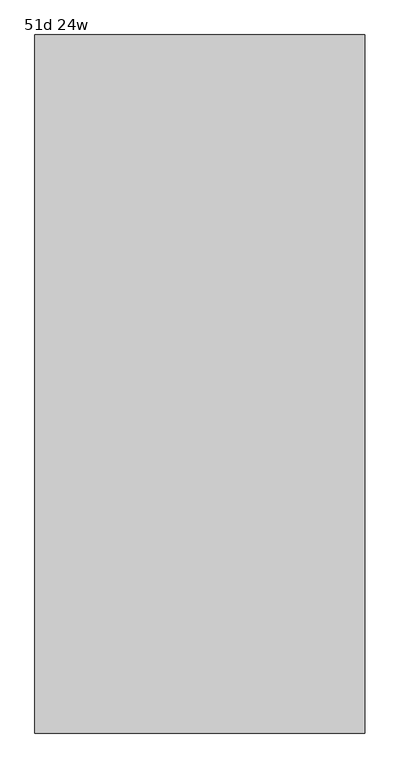
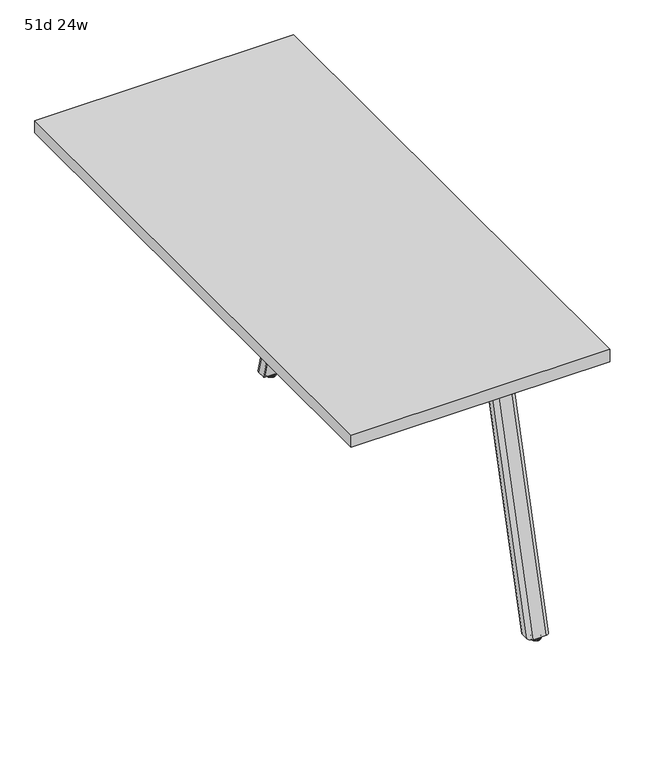
"""IFC4 building model written with IfcOpenShell, lengths in millimetres: furniture geometry, 51d 24w."""

from ifc_helpers import new_model, si_unit, point, frame, frame_2d, origin, place, context, project, spatial, polyline, circle_curve, ellipse_curve, trimmed, segment, composite_curve, outline, extrude, source, transform, mapped, element, save
from ifc_brep_helpers import plane_surface, cylinder_surface, revolved_surface, extruded_surface, advanced_brep


def furniture_51d_24w_74946e6d(model_context):
    return source(origin(), model_context, "Body", "SolidModel", [
        extrude(outline(composite_curve([segment(polyline([(320.6908754, -1118.8587974), (427.8471246, -1118.8587974)]), True, "CONTINUOUS"), segment(trimmed(circle_curve(frame_2d((427.8471246, -1128.7806724)), 9.921875), [point((427.8471246, -1118.8587974))], [point((437.7689996, -1128.7806724))], False, "CARTESIAN"), True, "CONTINUOUS"), segment(polyline([(437.7689996, -1128.7806724), (437.7689996, -1210.5369163)]), True, "CONTINUOUS"), segment(trimmed(circle_curve(frame_2d((427.8471246, -1210.5369163)), 9.921875), [point((437.7689996, -1210.5369163))], [point((427.8471246, -1220.4587913))], False, "CARTESIAN"), True, "CONTINUOUS"), segment(polyline([(427.8471246, -1220.4587913), (320.6908754, -1220.4587913)]), True, "CONTINUOUS"), segment(trimmed(circle_curve(frame_2d((320.6908754, -1210.5369163)), 9.921875), [point((320.6908754, -1220.4587913))], [point((310.7690004, -1210.5369163))], False, "CARTESIAN"), True, "CONTINUOUS"), segment(polyline([(310.7690004, -1210.5369163), (310.7690004, -1128.7806724)]), True, "CONTINUOUS"), segment(trimmed(circle_curve(frame_2d((320.6908754, -1128.7806724)), 9.921875), [point((310.7690004, -1128.7806724))], [point((320.6908754, -1118.8587974))], False, "CARTESIAN"), True, "CONTINUOUS")], self_intersect=False)), frame((0.0, 0.0, 705.2055984), z_axis=(0.0, 0.0, 1.0), x_axis=(1.0, 0.0, 0.0)), (0.0, 0.0, 1.0), 5.9944016),
        advanced_brep(
        [(429.9270371, -1185.1941016, 705.2055984), (382.8729629, -1185.1941016, 705.2055984), (381.3809603, -1186.6861042, 705.2055984), (381.3809603, -1205.4969272, 705.2055984), (391.3028353, -1215.4188022, 705.2055984), (421.4971647, -1215.4188022, 705.2055984), (431.4190397, -1205.4969272, 705.2055984), (431.4190397, -1186.6861042, 705.2055984), (429.9270371, -1370.3899744, 10.7173168), (431.4190397, -1371.881977, 10.7173168), (431.4190397, -1391.5691016, 10.7173168), (421.4971647, -1401.4909766, 10.7173168), (391.3028353, -1401.4909766, 10.7173168), (381.3809603, -1391.5691016, 10.7173168), (381.3809603, -1371.881977, 10.7173168), (382.8729629, -1370.3899744, 10.7173168)],
        [
            (0, 1),
            (1, 2, circle_curve(frame((382.8729629, -1186.6861042, 705.2055984), z_axis=(0.0, 0.0, 1.0), x_axis=(-1.0, 0.0, 0.0)), 1.4920026)),
            (2, 3),
            (3, 4, circle_curve(frame((391.3028353, -1205.4969272, 705.2055984), z_axis=(0.0, 0.0, 1.0), x_axis=(-1.0, 0.0, 0.0)), 9.921875)),
            (4, 5),
            (5, 6, circle_curve(frame((421.4971647, -1205.4969272, 705.2055984), z_axis=(0.0, 0.0, 1.0), x_axis=(-1.0, 0.0, 0.0)), 9.921875)),
            (6, 7),
            (7, 0, circle_curve(frame((429.9270371, -1186.6861042, 705.2055984), z_axis=(0.0, 0.0, 1.0), x_axis=(-1.0, 0.0, 0.0)), 1.4920026)),
            (8, 9, circle_curve(frame((429.9270371, -1371.881977, 10.7173168), z_axis=(0.0, 0.0, -1.0), x_axis=(-1.0, 0.0, 0.0)), 1.4920026)),
            (9, 10),
            (10, 11, circle_curve(frame((421.4971647, -1391.5691016, 10.7173168), z_axis=(0.0, 0.0, -1.0), x_axis=(-1.0, 0.0, 0.0)), 9.921875)),
            (11, 12),
            (12, 13, circle_curve(frame((391.3028353, -1391.5691016, 10.7173168), z_axis=(0.0, 0.0, -1.0), x_axis=(-1.0, 0.0, 0.0)), 9.921875)),
            (13, 14),
            (14, 15, circle_curve(frame((382.8729629, -1371.881977, 10.7173168), z_axis=(0.0, 0.0, -1.0), x_axis=(-1.0, 0.0, 0.0)), 1.4920026)),
            (15, 8),
            (8, 0),
            (7, 9),
            (6, 10),
            (5, 11),
            (4, 12),
            (3, 13),
            (2, 14),
            (1, 15),
        ],
        [
            plane_surface(frame((406.4, -1198.1989838, 705.2055984), z_axis=(0.0, 0.0, 1.0), x_axis=(1.0, 0.0, 0.0))),
            plane_surface(frame((406.4, -1383.8330074, 10.7173168), z_axis=(0.0, 0.0, -1.0), x_axis=(1.0, 0.0, 0.0))),
            extruded_surface(trimmed(circle_curve(frame((429.9270371, -1186.6861042, 705.2055984), z_axis=(0.0, 0.0, -1.0), x_axis=(-1.0, 0.0, 0.0)), 1.4920026), [point((429.9270371, -1185.1941016, 705.2055984))], [point((431.4190397, -1186.6861042, 705.2055984))], True, "CARTESIAN"), (0.0, -185.19587279999996, -694.4882815999999), 718.7569022846839),
            plane_surface(frame((431.4190397, -1381.7255393, 10.7173168), z_axis=(1.0, 0.0, 0.0), x_axis=(0.0, -1.0, 0.0))),
            extruded_surface(trimmed(circle_curve(frame((421.4971647, -1205.4969272, 705.2055984), z_axis=(0.0, 0.0, -1.0), x_axis=(-1.0, 0.0, 0.0)), 9.921875), [point((431.4190397, -1205.4969272, 705.2055984))], [point((421.4971647, -1215.4188022, 705.2055984))], True, "CARTESIAN"), (0.0, -186.0721744, -694.4882815999999), 718.9831899047882),
            plane_surface(frame((406.4, -1401.4909766, 10.7173168), z_axis=(0.0, -0.9659311808061944, 0.2587990609456514), x_axis=(-1.0, 0.0, 0.0))),
            extruded_surface(trimmed(circle_curve(frame((391.3028353, -1205.4969272, 705.2055984), z_axis=(0.0, 0.0, -1.0), x_axis=(-1.0, 0.0, 0.0)), 9.921875), [point((391.3028353, -1215.4188022, 705.2055984))], [point((381.3809603, -1205.4969272, 705.2055984))], True, "CARTESIAN"), (0.0, -186.0721744, -694.4882815999999), 718.9831899047882),
            plane_surface(frame((381.3809603, -1381.7255393, 10.7173168), z_axis=(-1.0, 0.0, 0.0), x_axis=(0.0, 1.0, 0.0))),
            extruded_surface(trimmed(circle_curve(frame((382.8729629, -1186.6861042, 705.2055984), z_axis=(0.0, 0.0, -1.0), x_axis=(-1.0, 0.0, 0.0)), 1.4920026), [point((381.3809603, -1186.6861042, 705.2055984))], [point((382.8729629, -1185.1941016, 705.2055984))], True, "CARTESIAN"), (0.0, -185.19587279999996, -694.4882815999999), 718.7569022846839),
            plane_surface(frame((406.4, -1370.3899744, 10.7173168), z_axis=(0.0, 0.9662352867758855, -0.2576613486519124), x_axis=(1.0, 0.0, 0.0))),
        ],
        [
            (0, [[1, 2, 3, 4, 5, 6, 7, 8]]),
            (1, [[9, 10, 11, 12, 13, 14, 15, 16]]),
            (2, [[17, -8, 18, -9]]),
            (3, [[-18, -7, 19, -10]]),
            (4, [[-19, -6, 20, -11]]),
            (5, [[-20, -5, 21, -12]]),
            (6, [[-21, -4, 22, -13]]),
            (7, [[-22, -3, 23, -14]]),
            (8, [[-23, -2, 24, -15]]),
            (9, [[-24, -1, -17, -16]]),
        ],
    ),
        advanced_brep(
        [(410.3999739, -1385.6159766, 35.0000007), (406.4, -1385.6159766, 35.0000007), (402.4000261, -1385.6159766, 35.0000007), (410.3999739, -1385.6159766, 5.0000003), (402.4000261, -1385.6159766, 5.0000003), (416.6062326, -1385.6159766, 5.0000003), (396.1937674, -1385.6159766, 5.0000003), (417.3999826, -1385.6159766, 4.2062503), (395.4000174, -1385.6159766, 4.2062503), (417.3999826, -1385.6159766, 0.79375), (395.4000174, -1385.6159766, 0.79375), (416.6062326, -1385.6159766, 0.0), (396.1937674, -1385.6159766, 0.0), (406.4, -1385.6159766, 0.0)],
        [
            (0, 1),
            (1, 2),
            (2, 0, circle_curve(frame((406.4, -1385.6159766, 35.0000007), z_axis=(0.0, 0.0, 1.0), x_axis=(-1.0000000000000004, 0.0, 0.0)), 3.9999739)),
            (0, 2, circle_curve(frame((406.4, -1385.6159766, 35.0000007), z_axis=(0.0, 0.0, 1.0), x_axis=(-1.0000000000000004, 0.0, 0.0)), 3.9999739)),
            (3, 0),
            (2, 4),
            (4, 3, circle_curve(frame((406.4, -1385.6159766, 5.0000003), z_axis=(0.0, 0.0, 1.0), x_axis=(-1.0000000000000004, 0.0, 0.0)), 3.9999739)),
            (3, 4, circle_curve(frame((406.4, -1385.6159766, 5.0000003), z_axis=(0.0, 0.0, 1.0), x_axis=(-1.0000000000000004, 0.0, 0.0)), 3.9999739)),
            (5, 3),
            (4, 6),
            (6, 5, circle_curve(frame((406.4, -1385.6159766, 5.0000003), z_axis=(0.0, 0.0, 1.0), x_axis=(-1.0000000000000004, 0.0, 0.0)), 10.2062326)),
            (5, 6, circle_curve(frame((406.4, -1385.6159766, 5.0000003), z_axis=(0.0, 0.0, 1.0), x_axis=(-1.0000000000000004, 0.0, 0.0)), 10.2062326)),
            (7, 5, circle_curve(frame((416.6062326, -1385.6159766, 4.2062503), z_axis=(0.0, -1.0000000000000004, 0.0), x_axis=(0.0, 0.0, -1.0)), 0.79375)),
            (6, 8, circle_curve(frame((396.1937674, -1385.6159766, 4.2062503), z_axis=(0.0, -1.0000000000000004, 0.0), x_axis=(0.0, 0.0, -1.0)), 0.79375)),
            (8, 7, circle_curve(frame((406.4, -1385.6159766, 4.2062503), z_axis=(0.0, 0.0, 1.0), x_axis=(-1.0000000000000004, 0.0, 0.0)), 10.9999826)),
            (7, 8, circle_curve(frame((406.4, -1385.6159766, 4.2062503), z_axis=(0.0, 0.0, 1.0), x_axis=(-1.0000000000000004, 0.0, 0.0)), 10.9999826)),
            (9, 7),
            (8, 10),
            (10, 9, circle_curve(frame((406.4, -1385.6159766, 0.79375), z_axis=(0.0, 0.0, 1.0), x_axis=(-1.0000000000000004, 0.0, 0.0)), 10.9999826)),
            (9, 10, circle_curve(frame((406.4, -1385.6159766, 0.79375), z_axis=(0.0, 0.0, 1.0), x_axis=(-1.0000000000000004, 0.0, 0.0)), 10.9999826)),
            (11, 9, circle_curve(frame((416.6062326, -1385.6159766, 0.79375), z_axis=(0.0, -1.0000000000000004, 0.0), x_axis=(0.0, 0.0, -1.0)), 0.79375)),
            (10, 12, circle_curve(frame((396.1937674, -1385.6159766, 0.79375), z_axis=(0.0, -1.0000000000000004, 0.0), x_axis=(0.0, 0.0, -1.0)), 0.79375)),
            (12, 11, circle_curve(frame((406.4, -1385.6159766, 0.0), z_axis=(0.0, 0.0, 1.0), x_axis=(-1.0000000000000004, 0.0, 0.0)), 10.2062326)),
            (11, 12, circle_curve(frame((406.4, -1385.6159766, 0.0), z_axis=(0.0, 0.0, 1.0), x_axis=(-1.0000000000000004, 0.0, 0.0)), 10.2062326)),
            (13, 11),
            (12, 13),
        ],
        [
            plane_surface(frame((406.4, -1385.6159766, 35.0000007), z_axis=(0.0, 0.0, 1.0), x_axis=(-1.0, 0.0, 0.0))),
            cylinder_surface(frame((406.4, -1385.6159766, 52.3860264), z_axis=(0.0, 0.0, -1.0), x_axis=(-1.0000000000000004, 0.0, 0.0)), 3.9999739),
            plane_surface(frame((406.4, -1385.6159766, 5.0000003), z_axis=(0.0, 0.0, 1.0), x_axis=(-1.0, 0.0, 0.0))),
            revolved_surface(trimmed(ellipse_curve(frame((396.1937674, -1385.6159766, 4.2062503), z_axis=(0.0, -1.0000000000000004, 0.0), x_axis=(0.0, 0.0, -1.0)), 0.79375, 0.79375), [point((396.1937674, -1385.6159766, 5.0000003))], [point((395.4000174, -1385.6159766, 4.2062503))], True, "CARTESIAN"), (406.4, -1385.6159766, 52.3860264), (0.0, 0.0, -1.0)),
            cylinder_surface(frame((406.4, -1385.6159766, 52.3860264), z_axis=(0.0, 0.0, -1.0), x_axis=(-1.0000000000000004, 0.0, 0.0)), 10.9999826),
            revolved_surface(trimmed(ellipse_curve(frame((396.1937674, -1385.6159766, 0.79375), z_axis=(0.0, -1.0000000000000004, 0.0), x_axis=(0.0, 0.0, -1.0)), 0.79375, 0.79375), [point((395.4000174, -1385.6159766, 0.79375))], [point((396.1937674, -1385.6159766, 0.0))], True, "CARTESIAN"), (406.4, -1385.6159766, 52.3860264), (0.0, 0.0, -1.0)),
            plane_surface(frame((406.4, -1385.6159766, 0.0), z_axis=(0.0, 0.0, -1.0), x_axis=(-1.0, 0.0, 0.0))),
        ],
        [
            (0, [[1, 2, 3]]),
            (0, [[-2, -1, 4]]),
            (1, [[5, -3, 6, 7]]),
            (1, [[-6, -4, -5, 8]]),
            (2, [[9, -7, 10, 11]]),
            (2, [[-10, -8, -9, 12]]),
            (3, [[13, -11, 14, 15]]),
            (3, [[-14, -12, -13, 16]]),
            (4, [[17, -15, 18, 19]]),
            (4, [[-18, -16, -17, 20]]),
            (5, [[21, -19, 22, 23]]),
            (5, [[-22, -20, -21, 24]]),
            (6, [[25, -23, 26]]),
            (6, [[-26, -24, -25]]),
        ],
    ),
        extrude(outline(composite_curve([segment(trimmed(circle_curve(frame_2d((320.6908754, -561.3637807)), 9.921875), [point((320.6908754, -571.2856557))], [point((310.7690004, -561.3637807))], False, "CARTESIAN"), True, "CONTINUOUS"), segment(polyline([(310.7690004, -561.3637807), (310.7690004, -479.6075368)]), True, "CONTINUOUS"), segment(trimmed(circle_curve(frame_2d((320.6908754, -479.6075368)), 9.921875), [point((310.7690004, -479.6075368))], [point((320.6908754, -469.6856618))], False, "CARTESIAN"), True, "CONTINUOUS"), segment(polyline([(320.6908754, -469.6856618), (427.8471246, -469.6856618)]), True, "CONTINUOUS"), segment(trimmed(circle_curve(frame_2d((427.8471246, -479.6075368)), 9.921875), [point((427.8471246, -469.6856618))], [point((437.7689996, -479.6075368))], False, "CARTESIAN"), True, "CONTINUOUS"), segment(polyline([(437.7689996, -479.6075368), (437.7689996, -561.3637807)]), True, "CONTINUOUS"), segment(trimmed(circle_curve(frame_2d((427.8471246, -561.3637807)), 9.921875), [point((437.7689996, -561.3637807))], [point((427.8471246, -571.2856557))], False, "CARTESIAN"), True, "CONTINUOUS"), segment(polyline([(427.8471246, -571.2856557), (320.6908754, -571.2856557)]), True, "CONTINUOUS")], self_intersect=False)), frame((0.0, 0.0, 705.2055984), z_axis=(0.0, 0.0, 1.0), x_axis=(1.0, 0.0, 0.0)), (0.0, 0.0, 1.0), 5.9944016),
        advanced_brep(
        [(429.9270371, -504.9503516, 705.2055984), (431.4190397, -503.4583489, 705.2055984), (431.4190397, -484.6475259, 705.2055984), (421.4971647, -474.7256509, 705.2055984), (391.3028353, -474.7256509, 705.2055984), (381.3809603, -484.6475259, 705.2055984), (381.3809603, -503.4583489, 705.2055984), (382.8729629, -504.9503516, 705.2055984), (429.9270371, -319.7544788, 10.7173168), (382.8729629, -319.7544788, 10.7173168), (381.3809603, -318.2624761, 10.7173168), (381.3809603, -298.5753516, 10.7173168), (391.3028353, -288.6534766, 10.7173168), (421.4971647, -288.6534766, 10.7173168), (431.4190397, -298.5753516, 10.7173168), (431.4190397, -318.2624761, 10.7173168)],
        [
            (0, 1, circle_curve(frame((429.9270371, -503.4583489, 705.2055984), z_axis=(0.0, 0.0, 1.0), x_axis=(-1.0, 0.0, 0.0)), 1.4920026)),
            (1, 2),
            (2, 3, circle_curve(frame((421.4971647, -484.6475259, 705.2055984), z_axis=(0.0, 0.0, 1.0), x_axis=(-1.0, 0.0, 0.0)), 9.921875)),
            (3, 4),
            (4, 5, circle_curve(frame((391.3028353, -484.6475259, 705.2055984), z_axis=(0.0, 0.0, 1.0), x_axis=(-1.0, 0.0, 0.0)), 9.921875)),
            (5, 6),
            (6, 7, circle_curve(frame((382.8729629, -503.4583489, 705.2055984), z_axis=(0.0, 0.0, 1.0), x_axis=(-1.0, 0.0, 0.0)), 1.4920026)),
            (7, 0),
            (8, 9),
            (9, 10, circle_curve(frame((382.8729629, -318.2624761, 10.7173168), z_axis=(0.0, 0.0, -1.0), x_axis=(-1.0, 0.0, 0.0)), 1.4920026)),
            (10, 11),
            (11, 12, circle_curve(frame((391.3028353, -298.5753516, 10.7173168), z_axis=(0.0, 0.0, -1.0), x_axis=(-1.0, 0.0, 0.0)), 9.921875)),
            (12, 13),
            (13, 14, circle_curve(frame((421.4971647, -298.5753516, 10.7173168), z_axis=(0.0, 0.0, -1.0), x_axis=(-1.0, 0.0, 0.0)), 9.921875)),
            (14, 15),
            (15, 8, circle_curve(frame((429.9270371, -318.2624761, 10.7173168), z_axis=(0.0, 0.0, -1.0), x_axis=(-1.0, 0.0, 0.0)), 1.4920026)),
            (15, 1),
            (0, 8),
            (14, 2),
            (13, 3),
            (12, 4),
            (11, 5),
            (10, 6),
            (9, 7),
        ],
        [
            plane_surface(frame((406.4, -491.9454693, 705.2055984), z_axis=(0.0, 0.0, 1.0), x_axis=(1.0, 0.0, 0.0))),
            plane_surface(frame((406.4, -306.3114458, 10.7173168), z_axis=(0.0, 0.0, -1.0), x_axis=(1.0, 0.0, 0.0))),
            extruded_surface(trimmed(circle_curve(frame((429.9270371, -318.2624761, 10.7173168), z_axis=(0.0, 0.0, 1.0), x_axis=(-1.0, 0.0, 0.0)), 1.4920026), [point((429.9270371, -319.7544788, 10.7173168))], [point((431.4190397, -318.2624761, 10.7173168))], True, "CARTESIAN"), (0.0, -185.19587279999996, 694.4882815999999), 718.7569022846839),
            plane_surface(frame((431.4190397, -308.4189138, 10.7173168), z_axis=(1.0, 0.0, 0.0), x_axis=(0.0, 1.0, 0.0))),
            extruded_surface(trimmed(circle_curve(frame((421.4971647, -298.5753516, 10.7173168), z_axis=(0.0, 0.0, 1.0), x_axis=(-1.0, 0.0, 0.0)), 9.921875), [point((431.4190397, -298.5753516, 10.7173168))], [point((421.4971647, -288.6534766, 10.7173168))], True, "CARTESIAN"), (0.0, -186.07217430000003, 694.4882815999999), 718.9831898789083),
            plane_surface(frame((406.4, -288.6534766, 10.7173168), z_axis=(0.0, 0.9659311808061944, 0.2587990609456514), x_axis=(-1.0, 0.0, 0.0))),
            extruded_surface(trimmed(circle_curve(frame((391.3028353, -298.5753516, 10.7173168), z_axis=(0.0, 0.0, 1.0), x_axis=(-1.0, 0.0, 0.0)), 9.921875), [point((391.3028353, -288.6534766, 10.7173168))], [point((381.3809603, -298.5753516, 10.7173168))], True, "CARTESIAN"), (0.0, -186.07217430000003, 694.4882815999999), 718.9831898789083),
            plane_surface(frame((381.3809603, -308.4189138, 10.7173168), z_axis=(-1.0, 0.0, 0.0), x_axis=(0.0, -1.0, 0.0))),
            extruded_surface(trimmed(circle_curve(frame((382.8729629, -318.2624761, 10.7173168), z_axis=(0.0, 0.0, 1.0), x_axis=(-1.0, 0.0, 0.0)), 1.4920026), [point((381.3809603, -318.2624761, 10.7173168))], [point((382.8729629, -319.7544788, 10.7173168))], True, "CARTESIAN"), (0.0, -185.19587279999996, 694.4882815999999), 718.7569022846839),
            plane_surface(frame((406.4, -319.7544788, 10.7173168), z_axis=(0.0, -0.9662352867758855, -0.2576613486519124), x_axis=(1.0, 0.0, 0.0))),
        ],
        [
            (0, [[1, 2, 3, 4, 5, 6, 7, 8]]),
            (1, [[9, 10, 11, 12, 13, 14, 15, 16]]),
            (2, [[-16, 17, -1, 18]]),
            (3, [[-15, 19, -2, -17]]),
            (4, [[-14, 20, -3, -19]]),
            (5, [[-13, 21, -4, -20]]),
            (6, [[-12, 22, -5, -21]]),
            (7, [[-11, 23, -6, -22]]),
            (8, [[-10, 24, -7, -23]]),
            (9, [[-9, -18, -8, -24]]),
        ],
    ),
        advanced_brep(
        [(410.3999739, -304.5284766, 35.0000007), (402.4000261, -304.5284766, 35.0000007), (406.4, -304.5284766, 35.0000007), (410.3999739, -304.5284766, 5.0000003), (402.4000261, -304.5284766, 5.0000003), (416.6062326, -304.5284766, 5.0000003), (396.1937674, -304.5284766, 5.0000003), (417.3999826, -304.5284766, 4.2062503), (395.4000174, -304.5284766, 4.2062503), (417.3999826, -304.5284766, 0.79375), (395.4000174, -304.5284766, 0.79375), (416.6062326, -304.5284766, 0.0), (396.1937674, -304.5284766, 0.0), (406.4, -304.5284766, 0.0)],
        [
            (0, 1, circle_curve(frame((406.4, -304.5284766, 35.0000007), z_axis=(0.0, 0.0, 1.0), x_axis=(-1.0000000000000004, 0.0, 0.0)), 3.9999739)),
            (1, 2),
            (2, 0),
            (1, 0, circle_curve(frame((406.4, -304.5284766, 35.0000007), z_axis=(0.0, 0.0, 1.0), x_axis=(-1.0000000000000004, 0.0, 0.0)), 3.9999739)),
            (3, 4, circle_curve(frame((406.4, -304.5284766, 5.0000003), z_axis=(0.0, 0.0, 1.0), x_axis=(-1.0000000000000004, 0.0, 0.0)), 3.9999739)),
            (4, 1),
            (0, 3),
            (4, 3, circle_curve(frame((406.4, -304.5284766, 5.0000003), z_axis=(0.0, 0.0, 1.0), x_axis=(-1.0000000000000004, 0.0, 0.0)), 3.9999739)),
            (5, 6, circle_curve(frame((406.4, -304.5284766, 5.0000003), z_axis=(0.0, 0.0, 1.0), x_axis=(-1.0000000000000004, 0.0, 0.0)), 10.2062326)),
            (6, 4),
            (3, 5),
            (6, 5, circle_curve(frame((406.4, -304.5284766, 5.0000003), z_axis=(0.0, 0.0, 1.0), x_axis=(-1.0000000000000004, 0.0, 0.0)), 10.2062326)),
            (7, 8, circle_curve(frame((406.4, -304.5284766, 4.2062503), z_axis=(0.0, 0.0, 1.0), x_axis=(-1.0000000000000004, 0.0, 0.0)), 10.9999826)),
            (8, 6, circle_curve(frame((396.1937674, -304.5284766, 4.2062503), z_axis=(0.0, 1.0000000000000004, 0.0), x_axis=(0.0, 0.0, -1.0)), 0.79375)),
            (5, 7, circle_curve(frame((416.6062326, -304.5284766, 4.2062503), z_axis=(0.0, 1.0000000000000004, 0.0), x_axis=(0.0, 0.0, -1.0)), 0.79375)),
            (8, 7, circle_curve(frame((406.4, -304.5284766, 4.2062503), z_axis=(0.0, 0.0, 1.0), x_axis=(-1.0000000000000004, 0.0, 0.0)), 10.9999826)),
            (9, 10, circle_curve(frame((406.4, -304.5284766, 0.79375), z_axis=(0.0, 0.0, 1.0), x_axis=(-1.0000000000000004, 0.0, 0.0)), 10.9999826)),
            (10, 8),
            (7, 9),
            (10, 9, circle_curve(frame((406.4, -304.5284766, 0.79375), z_axis=(0.0, 0.0, 1.0), x_axis=(-1.0000000000000004, 0.0, 0.0)), 10.9999826)),
            (11, 12, circle_curve(frame((406.4, -304.5284766, 0.0), z_axis=(0.0, 0.0, 1.0), x_axis=(-1.0000000000000004, 0.0, 0.0)), 10.2062326)),
            (12, 10, circle_curve(frame((396.1937674, -304.5284766, 0.79375), z_axis=(0.0, 1.0000000000000004, 0.0), x_axis=(0.0, 0.0, -1.0)), 0.79375)),
            (9, 11, circle_curve(frame((416.6062326, -304.5284766, 0.79375), z_axis=(0.0, 1.0000000000000004, 0.0), x_axis=(0.0, 0.0, -1.0)), 0.79375)),
            (12, 11, circle_curve(frame((406.4, -304.5284766, 0.0), z_axis=(0.0, 0.0, 1.0), x_axis=(-1.0000000000000004, 0.0, 0.0)), 10.2062326)),
            (13, 12),
            (11, 13),
        ],
        [
            plane_surface(frame((406.4, -304.5284766, 35.0000007), z_axis=(0.0, 0.0, 1.0), x_axis=(-1.0, 0.0, 0.0))),
            cylinder_surface(frame((406.4, -304.5284766, 52.3860264), z_axis=(0.0, 0.0, -1.0), x_axis=(-1.0000000000000004, 0.0, 0.0)), 3.9999739),
            plane_surface(frame((406.4, -304.5284766, 5.0000003), z_axis=(0.0, 0.0, 1.0), x_axis=(-1.0, 0.0, 0.0))),
            revolved_surface(trimmed(ellipse_curve(frame((396.1937674, -304.5284766, 4.2062503), z_axis=(0.0, -1.0000000000000004, 0.0), x_axis=(0.0, 0.0, -1.0)), 0.79375, 0.79375), [point((396.1937674, -304.5284766, 5.0000003))], [point((395.4000174, -304.5284766, 4.2062503))], True, "CARTESIAN"), (406.4, -304.5284766, 52.3860264), (0.0, 0.0, -1.0)),
            cylinder_surface(frame((406.4, -304.5284766, 52.3860264), z_axis=(0.0, 0.0, -1.0), x_axis=(-1.0000000000000004, 0.0, 0.0)), 10.9999826),
            revolved_surface(trimmed(ellipse_curve(frame((396.1937674, -304.5284766, 0.79375), z_axis=(0.0, -1.0000000000000004, 0.0), x_axis=(0.0, 0.0, -1.0)), 0.79375, 0.79375), [point((395.4000174, -304.5284766, 0.79375))], [point((396.1937674, -304.5284766, 0.0))], True, "CARTESIAN"), (406.4, -304.5284766, 52.3860264), (0.0, 0.0, -1.0)),
            plane_surface(frame((406.4, -304.5284766, 0.0), z_axis=(0.0, 0.0, -1.0), x_axis=(-1.0, 0.0, 0.0))),
        ],
        [
            (0, [[1, 2, 3]]),
            (0, [[4, -3, -2]]),
            (1, [[5, 6, -1, 7]]),
            (1, [[8, -7, -4, -6]]),
            (2, [[9, 10, -5, 11]]),
            (2, [[12, -11, -8, -10]]),
            (3, [[13, 14, -9, 15]]),
            (3, [[16, -15, -12, -14]]),
            (4, [[17, 18, -13, 19]]),
            (4, [[20, -19, -16, -18]]),
            (5, [[21, 22, -17, 23]]),
            (5, [[24, -23, -20, -22]]),
            (6, [[25, -21, 26]]),
            (6, [[-26, -24, -25]]),
        ],
    ),
        extrude(outline(polyline([(520.7, -199.7534766), (520.7, -1490.3909766), (-88.9, -1490.3909766), (-88.9, -199.7534766), (520.7, -199.7534766)])), frame((0.0, 0.0, 711.2), z_axis=(0.0, 0.0, 1.0), x_axis=(1.0, 0.0, 0.0)), (0.0, 0.0, 1.0), 30.1625),
    ])


if __name__ == "__main__":
    model = new_model("IFC4")
    model_context = context("Model", 3, world=origin())
    ifc_project = project(units=[si_unit("LENGTHUNIT", "METRE", prefix="MILLI")], contexts=[model_context])
    site = spatial("IfcSite", under=ifc_project)
    building = spatial("IfcBuilding", under=site)
    placement = place(None, origin())
    furniture_51d_24w_shape = furniture_51d_24w_74946e6d(model_context)
    element("IfcFurniture", 1, ObjectType="51d 24w", at=placement, inside=building, context=model_context, shape_type="MappedRepresentation", body=[
        mapped(furniture_51d_24w_shape, transform((0.0, 0.0, 0.0), x_axis=(1.0, 0.0, 0.0), y_axis=(0.0, 1.0, 0.0), z_axis=(0.0, 0.0, 1.0))),
    ])
    save(model, "model.ifc")
